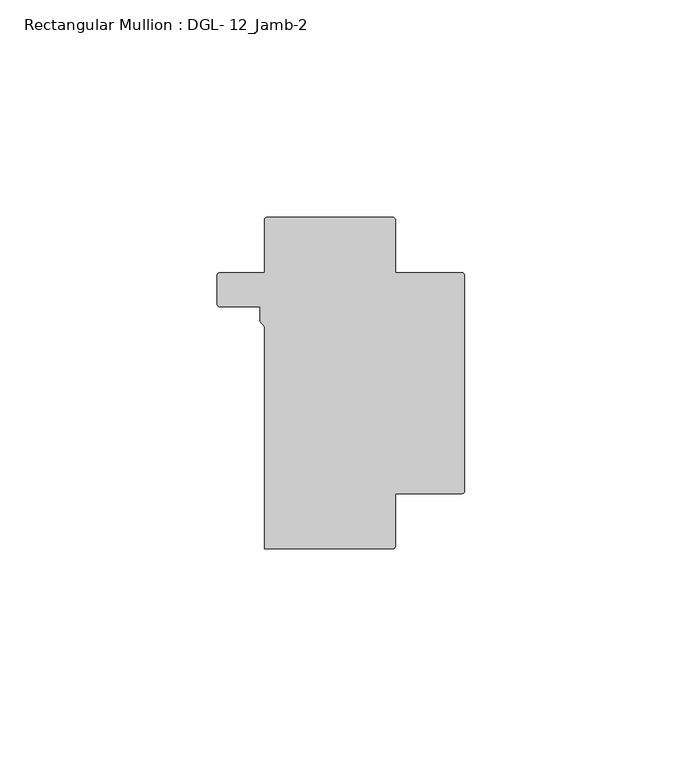
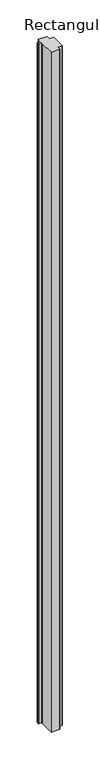
"""IFC4 building model written with IfcOpenShell, lengths in millimetres: member geometry, Rectangular Mullion : DGL- 12_Jamb-2."""

from ifc_helpers import new_model, si_unit, point, frame, frame_2d, origin, place, context, project, spatial, polyline, circle_curve, trimmed, segment, composite_curve, outline, extrude, source, transform, mapped, element, save


def rectangular_mullion_dgl_12_jamb_2_da3d0c15(model_context):
    return source(origin(), model_context, "Body", "SweptSolid", [
        extrude(outline(composite_curve([segment(polyline([(-46.0338833, 25.4), (-46.0338833, 37.5047035)]), True, "CONTINUOUS"), segment(trimmed(circle_curve(frame_2d((-45.4385708, 37.5047035)), 0.5953125), [point((-46.0338833, 37.5047035))], [point((-45.4385708, 38.100016))], False, "CARTESIAN"), True, "CONTINUOUS"), segment(polyline([(-45.4385708, 38.100016), (-16.4793976, 38.100016)]), True, "CONTINUOUS"), segment(trimmed(circle_curve(frame_2d((-16.4793976, 37.5047035)), 0.5953125), [point((-16.4793976, 38.100016))], [point((-15.8840851, 37.5047035))], False, "CARTESIAN"), True, "CONTINUOUS"), segment(polyline([(-15.8840851, 37.5047035), (-15.8840851, 25.4003368), (-0.5953125, 25.4003368)]), True, "CONTINUOUS"), segment(trimmed(circle_curve(frame_2d((-0.5953125, 24.8050243)), 0.5953125), [point((-0.5953125, 25.4003368))], [point((0.0, 24.8050243))], False, "CARTESIAN"), True, "CONTINUOUS"), segment(polyline([(0.0, 24.8050243), (0.0, -24.8996652)]), True, "CONTINUOUS"), segment(trimmed(circle_curve(frame_2d((-0.499998, -24.8996652)), 0.499998), [point((0.0, -24.8996652))], [point((-0.499998, -25.3996632))], False, "CARTESIAN"), True, "CONTINUOUS"), segment(polyline([(-0.499998, -25.3996632), (-15.8840851, -25.3996632), (-15.8840851, -37.5043667)]), True, "CONTINUOUS"), segment(trimmed(circle_curve(frame_2d((-16.4793976, -37.5043667)), 0.5953125), [point((-15.8840851, -37.5043667))], [point((-16.4793976, -38.0996792))], False, "CARTESIAN"), True, "CONTINUOUS"), segment(polyline([(-16.4793976, -38.0996792), (-46.0339676, -38.0996792), (-46.0339676, 12.9738568), (-46.9588014, 14.2467814), (-46.9588014, 17.5955253), (-56.3038063, 17.5955253)]), True, "CONTINUOUS"), segment(trimmed(circle_curve(frame_2d((-56.3038063, 18.1560373)), 0.560512), [point((-56.3038063, 17.5955253))], [point((-56.8643183, 18.1560373))], False, "CARTESIAN"), True, "CONTINUOUS"), segment(polyline([(-56.8643183, 18.1560373), (-56.8643183, 24.8046875)]), True, "CONTINUOUS"), segment(trimmed(circle_curve(frame_2d((-56.2690058, 24.8046875)), 0.5953125), [point((-56.8643183, 24.8046875))], [point((-56.2690058, 25.4))], False, "CARTESIAN"), True, "CONTINUOUS"), segment(polyline([(-56.2690058, 25.4), (-46.0338833, 25.4)]), True, "CONTINUOUS")], self_intersect=False)), frame((0.0, 0.0, -2438.4), z_axis=(0.0, 0.0, 1.0), x_axis=(1.0, 0.0, 0.0)), (0.0, 0.0, 1.0), 2438.4),
    ])


if __name__ == "__main__":
    model = new_model("IFC4")
    model_context = context("Model", 3, world=origin())
    ifc_project = project(units=[si_unit("LENGTHUNIT", "METRE", prefix="MILLI")], contexts=[model_context])
    site = spatial("IfcSite", under=ifc_project)
    building = spatial("IfcBuilding", under=site)
    placement = place(None, origin())
    rectangular_mullion_dgl_12_jamb_2_shape = rectangular_mullion_dgl_12_jamb_2_da3d0c15(model_context)
    element("IfcMember", 1, ObjectType="Rectangular Mullion : DGL- 12_Jamb-2", at=placement, inside=building, context=model_context, shape_type="MappedRepresentation", body=[
        mapped(rectangular_mullion_dgl_12_jamb_2_shape, transform((0.0, 0.0, 0.0), x_axis=(1.0, 0.0, 0.0), y_axis=(0.0, 1.0, 0.0), z_axis=(0.0, 0.0, 1.0))),
    ])
    save(model, "model.ifc")
